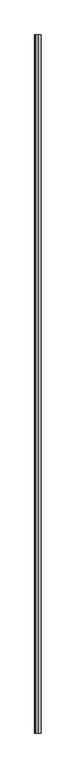
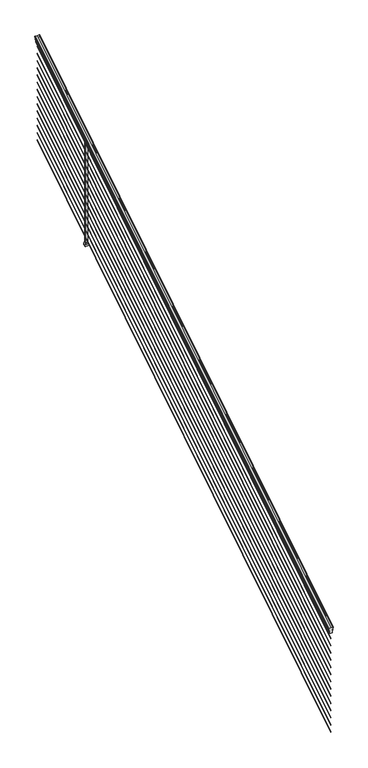
"""IFC4 building model written with IfcOpenShell, lengths in millimetres: railing geometry."""

from ifc_helpers import new_model, si_unit, frame, origin, place, context, project, spatial, polyline, ellipse_curve, outline, extrude, faceted_brep, source, transform, mapped, element, save
from ifc_brep_helpers import plane_surface, cylinder_surface, revolved_surface, advanced_brep


def railing_e3bc975f(model_context):
    return source(origin(), model_context, "Body", "SolidModel", [
        advanced_brep(
        [(11092.2704765, -103155.6628453, 1285.6070492), (11092.2704765, -103155.6628453, 1287.8335658), (11093.4006628, -103155.6628453, 1289.6758543), (11093.4006628, -103155.6628453, 1298.1876358), (11092.7514064, -103155.6628453, 1301.0572588), (11095.2514064, -103155.6628453, 1306.1635509), (11096.6607489, -103155.6628453, 1308.1442021), (11097.0626479, -103155.6628453, 1309.4469579), (11097.0626478, -103155.6628453, 1311.0274846), (11095.5092005, -103155.6628453, 1312.8593836), (11074.8376478, -103155.6628453, 1312.8593836), (11054.166095, -103155.6628453, 1312.8593836), (11052.6126478, -103155.6628453, 1311.0274846), (11052.6126478, -103155.6628453, 1309.4469579), (11053.0145467, -103155.6628453, 1308.1442021), (11054.4238891, -103155.6628453, 1306.1635509), (11056.9238891, -103155.6628453, 1301.0572588), (11056.2746327, -103155.6628453, 1298.1876358), (11056.2746327, -103155.6628453, 1289.6758543), (11057.404819, -103155.6628453, 1287.8335658), (11057.404819, -103155.6628453, 1285.6070492), (11059.9786478, -103155.6628453, 1285.6070492), (11059.9786478, -103155.6628453, 1273.225537), (11058.9626478, -103155.6628453, 1272.0274214), (11058.9626478, -103155.6628453, 1257.3), (11090.7126478, -103155.6628453, 1257.3), (11090.7126478, -103155.6628453, 1271.841318), (11089.6966478, -103155.6628453, 1273.0394336), (11089.6966478, -103155.6628453, 1285.6070492), (11092.2704765, -98278.8628453, 4333.6070492), (11089.6966478, -98278.8628453, 4333.6070492), (11089.6966478, -98278.8628453, 4321.0394336), (11090.7126478, -98278.8628453, 4319.841318), (11090.7126478, -98278.8628453, 4305.3), (11058.9626478, -98278.8628453, 4305.3), (11058.9626478, -98278.8628453, 4320.0274214), (11059.9786478, -98278.8628453, 4321.225537), (11059.9786478, -98278.8628453, 4333.6070492), (11057.404819, -98278.8628453, 4333.6070492), (11057.404819, -98278.8628453, 4335.8335658), (11056.2746327, -98278.8628453, 4337.6758543), (11056.2746327, -98278.8628453, 4346.1876358), (11056.9238891, -98278.8628453, 4349.0572588), (11054.4238891, -98278.8628453, 4354.1635509), (11053.0145467, -98278.8628453, 4356.1442021), (11052.6126477, -98278.8628453, 4357.4469579), (11052.6126478, -98278.8628453, 4359.0274846), (11054.166095, -98278.8628453, 4360.8593836), (11074.8376478, -98278.8628453, 4360.8593836), (11095.5092005, -98278.8628453, 4360.8593836), (11097.0626478, -98278.8628453, 4359.0274846), (11097.0626478, -98278.8628453, 4357.4469579), (11096.6607489, -98278.8628453, 4356.1442021), (11095.2514064, -98278.8628453, 4354.1635509), (11092.7514064, -98278.8628453, 4349.0572588), (11093.4006628, -98278.8628453, 4346.1876358), (11093.4006628, -98278.8628453, 4337.6758543), (11092.2704765, -98278.8628453, 4335.8335658)],
        [
            (0, 1),
            (1, 2, ellipse_curve(frame((11085.9557232, -103155.6628453, 1294.6239405), z_axis=(0.0, -1.0, 0.0), x_axis=(0.0, 0.0, -1.0)), 10.0777926, 8.545951)),
            (2, 3, ellipse_curve(frame((11086.3927862, -103155.6628453, 1293.9317451), z_axis=(0.0, -1.0, 0.0), x_axis=(0.0, 0.0, -1.0)), 9.2955186, 7.882584)),
            (3, 4, ellipse_curve(frame((11096.9061103, -103155.6628453, 1300.8275077), z_axis=(0.0, 1.0, 0.0), x_axis=(0.0, 0.0, 1.0)), 4.9048088, 4.1592695)),
            (4, 5, ellipse_curve(frame((11098.1934169, -103155.6628453, 1300.7563208), z_axis=(0.0, 1.0, 0.0), x_axis=(0.0, 0.0, 1.0)), 6.4245301, 5.4479907)),
            (5, 6, ellipse_curve(frame((11096.9602584, -103155.6628453, 1306.1602333), z_axis=(0.0, 1.0, 0.0), x_axis=(0.0, 0.0, 1.0)), 2.0151625, 1.7088543)),
            (6, 7, ellipse_curve(frame((11095.3433583, -103155.6628453, 1309.4469579), z_axis=(0.0, -1.0, 0.0), x_axis=(0.0, 0.0, -1.0)), 2.0274681, 1.7192895)),
            (7, 8),
            (8, 9, ellipse_curve(frame((11095.5092005, -103155.6628453, 1311.0274846), z_axis=(0.0, -1.0, 0.0), x_axis=(0.0, 0.0, -1.0)), 1.831899, 1.5534472)),
            (9, 10),
            (10, 11),
            (11, 12, ellipse_curve(frame((11054.166095, -103155.6628453, 1311.0274846), z_axis=(0.0, -1.0, 0.0), x_axis=(0.0, 0.0, -1.0)), 1.831899, 1.5534472)),
            (12, 13),
            (13, 14, ellipse_curve(frame((11054.3319372, -103155.6628453, 1309.4469579), z_axis=(0.0, -1.0, 0.0), x_axis=(0.0, 0.0, -1.0)), 2.0274681, 1.7192895)),
            (14, 15, ellipse_curve(frame((11052.7150371, -103155.6628453, 1306.1602333), z_axis=(0.0, 1.0, 0.0), x_axis=(0.0, 0.0, 1.0)), 2.0151625, 1.7088543)),
            (15, 16, ellipse_curve(frame((11051.4818787, -103155.6628453, 1300.7563208), z_axis=(0.0, 1.0, 0.0), x_axis=(0.0, 0.0, 1.0)), 6.4245301, 5.4479907)),
            (16, 17, ellipse_curve(frame((11052.7691852, -103155.6628453, 1300.8275077), z_axis=(0.0, 1.0, 0.0), x_axis=(0.0, 0.0, 1.0)), 4.9048088, 4.1592695)),
            (17, 18, ellipse_curve(frame((11063.2825093, -103155.6628453, 1293.9317451), z_axis=(0.0, -1.0, 0.0), x_axis=(0.0, 0.0, -1.0)), 9.2955186, 7.882584)),
            (18, 19, ellipse_curve(frame((11063.7195723, -103155.6628453, 1294.6239405), z_axis=(0.0, -1.0, 0.0), x_axis=(0.0, 0.0, -1.0)), 10.0777926, 8.545951)),
            (19, 20),
            (20, 21, ellipse_curve(frame((11058.6917334, -103155.6628453, 1285.6070492), z_axis=(0.0, -1.0, 0.0), x_axis=(0.0, 0.0, -1.0)), 1.5175907, 1.2869144)),
            (21, 22),
            (22, 23),
            (23, 24),
            (24, 25),
            (25, 26),
            (26, 27),
            (27, 28),
            (28, 0, ellipse_curve(frame((11090.9835621, -103155.6628453, 1285.6070492), z_axis=(0.0, -1.0, 0.0), x_axis=(0.0, 0.0, -1.0)), 1.5175907, 1.2869144)),
            (29, 30, ellipse_curve(frame((11090.9835621, -98278.8628453, 4333.6070492), z_axis=(0.0, 1.0, 0.0), x_axis=(0.0, 0.0, -1.0)), 1.5175907, 1.2869144)),
            (30, 31),
            (31, 32),
            (32, 33),
            (33, 34),
            (34, 35),
            (35, 36),
            (36, 37),
            (37, 38, ellipse_curve(frame((11058.6917334, -98278.8628453, 4333.6070492), z_axis=(0.0, 1.0, 0.0), x_axis=(0.0, 0.0, -1.0)), 1.5175907, 1.2869144)),
            (38, 39),
            (39, 40, ellipse_curve(frame((11063.7195723, -98278.8628453, 4342.6239405), z_axis=(0.0, 1.0, 0.0), x_axis=(0.0, 0.0, -1.0)), 10.0777926, 8.545951)),
            (40, 41, ellipse_curve(frame((11063.2825093, -98278.8628453, 4341.9317451), z_axis=(0.0, 1.0, 0.0), x_axis=(0.0, 0.0, -1.0)), 9.2955186, 7.882584)),
            (41, 42, ellipse_curve(frame((11052.7691852, -98278.8628453, 4348.8275077), z_axis=(0.0, -1.0, 0.0), x_axis=(0.0, 0.0, 1.0)), 4.9048088, 4.1592695)),
            (42, 43, ellipse_curve(frame((11051.4818787, -98278.8628453, 4348.7563208), z_axis=(0.0, -1.0, 0.0), x_axis=(0.0, 0.0, 1.0)), 6.4245301, 5.4479907)),
            (43, 44, ellipse_curve(frame((11052.7150371, -98278.8628453, 4354.1602333), z_axis=(0.0, -1.0, 0.0), x_axis=(0.0, 0.0, 1.0)), 2.0151625, 1.7088543)),
            (44, 45, ellipse_curve(frame((11054.3319372, -98278.8628453, 4357.4469579), z_axis=(0.0, 1.0, 0.0), x_axis=(0.0, 0.0, -1.0)), 2.0274681, 1.7192895)),
            (45, 46),
            (46, 47, ellipse_curve(frame((11054.166095, -98278.8628453, 4359.0274846), z_axis=(0.0, 1.0, 0.0), x_axis=(0.0, 0.0, -1.0)), 1.831899, 1.5534472)),
            (47, 48),
            (48, 49),
            (49, 50, ellipse_curve(frame((11095.5092005, -98278.8628453, 4359.0274846), z_axis=(0.0, 1.0, 0.0), x_axis=(0.0, 0.0, -1.0)), 1.831899, 1.5534472)),
            (50, 51),
            (51, 52, ellipse_curve(frame((11095.3433583, -98278.8628453, 4357.4469579), z_axis=(0.0, 1.0, 0.0), x_axis=(0.0, 0.0, -1.0)), 2.0274681, 1.7192895)),
            (52, 53, ellipse_curve(frame((11096.9602584, -98278.8628453, 4354.1602333), z_axis=(0.0, -1.0, 0.0), x_axis=(0.0, 0.0, 1.0)), 2.0151625, 1.7088543)),
            (53, 54, ellipse_curve(frame((11098.1934169, -98278.8628453, 4348.7563208), z_axis=(0.0, -1.0, 0.0), x_axis=(0.0, 0.0, 1.0)), 6.4245301, 5.4479907)),
            (54, 55, ellipse_curve(frame((11096.9061103, -98278.8628453, 4348.8275077), z_axis=(0.0, -1.0, 0.0), x_axis=(0.0, 0.0, 1.0)), 4.9048088, 4.1592695)),
            (55, 56, ellipse_curve(frame((11086.3927862, -98278.8628453, 4341.9317451), z_axis=(0.0, 1.0, 0.0), x_axis=(0.0, 0.0, -1.0)), 9.2955186, 7.882584)),
            (56, 57, ellipse_curve(frame((11085.9557232, -98278.8628453, 4342.6239405), z_axis=(0.0, 1.0, 0.0), x_axis=(0.0, 0.0, -1.0)), 10.0777926, 8.545951)),
            (57, 29),
            (28, 30),
            (29, 0),
            (27, 31),
            (26, 32),
            (25, 33),
            (24, 34),
            (23, 35),
            (22, 36),
            (21, 37),
            (20, 38),
            (19, 39),
            (18, 40),
            (17, 41),
            (16, 42),
            (15, 43),
            (14, 44),
            (13, 45),
            (12, 46),
            (11, 47),
            (10, 48),
            (9, 49),
            (8, 50),
            (7, 51),
            (6, 52),
            (5, 53),
            (4, 54),
            (3, 55),
            (2, 56),
            (1, 57),
        ],
        [
            plane_surface(frame((11074.8376478, -103155.6628453, 1257.3), z_axis=(0.0, -1.0, 0.0), x_axis=(0.0, 0.0, 1.0))),
            plane_surface(frame((11074.8376478, -98278.8628453, 4305.3), z_axis=(0.0, 1.0, 0.0), x_axis=(0.0, 0.0, 1.0))),
            cylinder_surface(frame((11090.9835621, -103168.3851146, 1277.6556309), z_axis=(0.0, -0.8479983040051253, -0.5299989400031204), x_axis=(-1.0, 0.0, 0.0)), 1.2869144),
            plane_surface(frame((11089.6966478, -103155.6628453, 1273.0394336), z_axis=(1.0, 0.0, 0.0), x_axis=(0.0, 0.8479983040051252, 0.5299989400031204))),
            plane_surface(frame((11090.7126478, -103155.6628453, 1271.841318), z_axis=(0.7071067811865389, -0.3747658444978941, 0.5996253511967224), x_axis=(0.0, 0.8479983040051253, 0.5299989400031203))),
            plane_surface(frame((11090.7126478, -103155.6628453, 1257.3), z_axis=(1.0, 0.0, 0.0), x_axis=(0.0, 0.8479983040051252, 0.5299989400031204))),
            plane_surface(frame((11058.9626478, -103155.6628453, 1257.3), z_axis=(0.0, 0.5299989400031204, -0.8479983040051252), x_axis=(0.0, 0.8479983040051252, 0.5299989400031204))),
            plane_surface(frame((11058.9626478, -103155.6628453, 1272.0274214), z_axis=(-1.0000000000000002, 0.0, 0.0), x_axis=(0.0, 0.8479983040051253, 0.5299989400031204))),
            plane_surface(frame((11059.9786478, -103155.6628453, 1273.225537), z_axis=(-0.7071067811865438, -0.3747658444978897, 0.5996253511967192), x_axis=(0.0, 0.8479983040051252, 0.5299989400031204))),
            plane_surface(frame((11059.9786478, -103155.6628453, 1285.6070492), z_axis=(-1.0, 0.0, 0.0), x_axis=(0.0, 0.8479983040051252, 0.5299989400031204))),
            cylinder_surface(frame((11058.6917334, -103168.3851146, 1277.6556309), z_axis=(0.0, -0.8479983040051253, -0.5299989400031204), x_axis=(1.0, 0.0, 0.0)), 1.2869144),
            plane_surface(frame((11057.404819, -103155.6628453, 1287.8335658), z_axis=(-1.0, 0.0, 0.0), x_axis=(0.0, 0.8479983040051252, 0.5299989400031204))),
            cylinder_surface(frame((11063.7195723, -103172.43765, 1284.1396876), z_axis=(0.0, -0.8479983040051253, -0.5299989400031204), x_axis=(1.0, 0.0, 0.0)), 8.545951),
            cylinder_surface(frame((11063.2825093, -103172.1265509, 1283.641929), z_axis=(0.0, -0.8479983040051253, -0.5299989400031204), x_axis=(1.0, 0.0, 0.0)), 7.882584),
            revolved_surface(polyline([(11056.9284547, -98276.65843685035, 4350.2052629805585), (11056.9284547, -103157.86725374944, 1299.449752419102)]), (11052.7691852, -103175.2257701, 1288.6006797), (0.0, 0.8479983040051253, 0.5299989400031204)),
            revolved_surface(polyline([(11056.9298694, -98275.97541603574, 4350.5609640771845), (11056.9298694, -103158.5502745528, 1298.9516775044929)]), (11051.4818787, -103175.193776, 1288.5494891), (0.0, 0.8479983040051253, 0.5299989400031204)),
            revolved_surface(polyline([(11054.423891400002, -98277.95715429979, 4354.726290199658), (11054.423891400002, -103156.56853632248, 1305.5941764359545)]), (11052.7150371, -103177.6225007, 1292.4354487), (0.0, 0.8479983040051253, 0.5299989400031204)),
            cylinder_surface(frame((11054.3319372, -103179.0996803, 1294.798936), z_axis=(0.0, -0.8479983040051253, -0.5299989400031204), x_axis=(1.0, 0.0, 0.0)), 1.7192895),
            plane_surface(frame((11052.6126478, -103155.6628453, 1311.0274846), z_axis=(-1.0000000000000002, 0.0, 0.0), x_axis=(0.0, 0.8479983040051253, 0.5299989400031204))),
            cylinder_surface(frame((11054.166095, -103179.8100294, 1295.9354945), z_axis=(0.0, -0.8479983040051253, -0.5299989400031204), x_axis=(1.0, 0.0, 0.0)), 1.5534472),
            plane_surface(frame((11074.8376478, -103155.6628453, 1312.8593836), z_axis=(0.0, -0.5299989400031204, 0.8479983040051252), x_axis=(0.0, 0.8479983040051252, 0.5299989400031204))),
            plane_surface(frame((11095.5092005, -103155.6628453, 1312.8593836), z_axis=(0.0, -0.5299989400031204, 0.8479983040051252), x_axis=(0.0, 0.8479983040051252, 0.5299989400031204))),
            cylinder_surface(frame((11095.5092005, -103179.8100294, 1295.9354945), z_axis=(0.0, -0.8479983040051253, -0.5299989400031204), x_axis=(-1.0, 0.0, 0.0)), 1.5534472),
            plane_surface(frame((11097.0626478, -103155.6628453, 1309.4469579), z_axis=(1.0, 0.0, 0.0), x_axis=(0.0, 0.8479983040051252, 0.5299989400031204))),
            cylinder_surface(frame((11095.3433583, -103179.0996803, 1294.798936), z_axis=(0.0, -0.8479983040051253, -0.5299989400031204), x_axis=(-1.0, 0.0, 0.0)), 1.7192895),
            revolved_surface(polyline([(11095.2514041, -98277.95715429979, 4354.726290199658), (11095.2514041, -103156.56853632248, 1305.5941764359545)]), (11096.9602584, -103177.6225007, 1292.4354487), (0.0, 0.8479983040051253, 0.5299989400031204)),
            revolved_surface(polyline([(11092.7454262, -98275.97541603574, 4350.5609640771845), (11092.7454262, -103158.5502745528, 1298.9516775044929)]), (11098.1934169, -103175.193776, 1288.5494891), (0.0, 0.8479983040051253, 0.5299989400031204)),
            revolved_surface(polyline([(11092.7468408, -98276.65843685035, 4350.2052629805585), (11092.7468408, -103157.86725374944, 1299.449752419102)]), (11096.9061103, -103175.2257701, 1288.6006797), (0.0, 0.8479983040051253, 0.5299989400031204)),
            cylinder_surface(frame((11086.3927862, -103172.1265509, 1283.641929), z_axis=(0.0, -0.8479983040051253, -0.5299989400031204), x_axis=(-1.0, 0.0, 0.0)), 7.882584),
            cylinder_surface(frame((11085.9557232, -103172.43765, 1284.1396876), z_axis=(0.0, -0.8479983040051253, -0.5299989400031204), x_axis=(-1.0, 0.0, 0.0)), 8.545951),
            plane_surface(frame((11092.2704765, -103155.6628453, 1285.6070492), z_axis=(1.0, 0.0, 0.0), x_axis=(0.0, 0.8479983040051252, 0.5299989400031204))),
        ],
        [
            (0, [[1, 2, 3, 4, 5, 6, 7, 8, 9, 10, 11, 12, 13, 14, 15, 16, 17, 18, 19, 20, 21, 22, 23, 24, 25, 26, 27, 28, 29]]),
            (1, [[30, 31, 32, 33, 34, 35, 36, 37, 38, 39, 40, 41, 42, 43, 44, 45, 46, 47, 48, 49, 50, 51, 52, 53, 54, 55, 56, 57, 58]]),
            (2, [[-29, 59, -30, 60]]),
            (3, [[-28, 61, -31, -59]]),
            (4, [[-27, 62, -32, -61]]),
            (5, [[-26, 63, -33, -62]]),
            (6, [[-25, 64, -34, -63]]),
            (7, [[-24, 65, -35, -64]]),
            (8, [[-23, 66, -36, -65]]),
            (9, [[-22, 67, -37, -66]]),
            (10, [[-21, 68, -38, -67]]),
            (11, [[-20, 69, -39, -68]]),
            (12, [[-19, 70, -40, -69]]),
            (13, [[-18, 71, -41, -70]]),
            (14, [[-17, 72, -42, -71]]),
            (15, [[-16, 73, -43, -72]]),
            (16, [[-15, 74, -44, -73]]),
            (17, [[-14, 75, -45, -74]]),
            (18, [[-13, 76, -46, -75]]),
            (19, [[-12, 77, -47, -76]]),
            (20, [[-11, 78, -48, -77]]),
            (21, [[-10, 79, -49, -78]]),
            (22, [[-9, 80, -50, -79]]),
            (23, [[-8, 81, -51, -80]]),
            (24, [[-7, 82, -52, -81]]),
            (25, [[-6, 83, -53, -82]]),
            (26, [[-5, 84, -54, -83]]),
            (27, [[-4, 85, -55, -84]]),
            (28, [[-3, 86, -56, -85]]),
            (29, [[-2, 87, -57, -86]]),
            (30, [[-1, -60, -58, -87]]),
        ],
    ),
        advanced_brep(
        [(11073.2501478, -103155.6628453, 255.524), (11074.8376478, -103155.6628453, 253.6519444), (11076.4251478, -103155.6628453, 255.524), (11074.8376478, -103155.6628453, 257.3960556), (11073.2501478, -98278.8628453, 3303.524), (11074.8376478, -98278.8628453, 3305.3960556), (11076.4251478, -98278.8628453, 3303.524), (11074.8376478, -98278.8628453, 3301.6519444)],
        [
            (0, 1, ellipse_curve(frame((11074.8376478, -103155.6628453, 255.524), z_axis=(0.0, -1.0, 0.0), x_axis=(0.0, 0.0, -1.0)), 1.8720556, 1.5875)),
            (1, 2, ellipse_curve(frame((11074.8376478, -103155.6628453, 255.524), z_axis=(0.0, -1.0, 0.0), x_axis=(0.0, 0.0, -1.0)), 1.8720556, 1.5875)),
            (2, 3, ellipse_curve(frame((11074.8376478, -103155.6628453, 255.524), z_axis=(0.0, -1.0, 0.0), x_axis=(0.0, 0.0, -1.0)), 1.8720556, 1.5875)),
            (3, 0, ellipse_curve(frame((11074.8376478, -103155.6628453, 255.524), z_axis=(0.0, -1.0, 0.0), x_axis=(0.0, 0.0, -1.0)), 1.8720556, 1.5875)),
            (4, 5, ellipse_curve(frame((11074.8376478, -98278.8628453, 3303.524), z_axis=(0.0, 1.0, 0.0), x_axis=(0.0, 0.0, -1.0)), 1.8720556, 1.5875)),
            (5, 6, ellipse_curve(frame((11074.8376478, -98278.8628453, 3303.524), z_axis=(0.0, 1.0, 0.0), x_axis=(0.0, 0.0, -1.0)), 1.8720556, 1.5875)),
            (6, 7, ellipse_curve(frame((11074.8376478, -98278.8628453, 3303.524), z_axis=(0.0, 1.0, 0.0), x_axis=(0.0, 0.0, -1.0)), 1.8720556, 1.5875)),
            (7, 4, ellipse_curve(frame((11074.8376478, -98278.8628453, 3303.524), z_axis=(0.0, 1.0, 0.0), x_axis=(0.0, 0.0, -1.0)), 1.8720556, 1.5875)),
            (3, 5),
            (4, 0),
            (2, 6),
            (1, 7),
        ],
        [
            plane_surface(frame((11074.8376478, -103155.6628453, 255.524), z_axis=(0.0, -1.0, 0.0), x_axis=(0.0, 0.0, 1.0))),
            plane_surface(frame((11074.8376478, -98278.8628453, 3303.524), z_axis=(0.0, 1.0, 0.0), x_axis=(0.0, 0.0, 1.0))),
            cylinder_surface(frame((11074.8376478, -103155.6628453, 255.524), z_axis=(0.0, -0.8479983040051253, -0.5299989400031204), x_axis=(-1.0, 0.0, 0.0)), 1.5875),
        ],
        [
            (0, [[1, 2, 3, 4]]),
            (1, [[5, 6, 7, 8]]),
            (2, [[-4, 9, -5, 10]]),
            (2, [[-3, 11, -6, -9]]),
            (2, [[-2, 12, -7, -11]]),
            (2, [[-1, -10, -8, -12]]),
        ],
    ),
        advanced_brep(
        [(11073.2501478, -103155.6628453, 328.676), (11074.8376478, -103155.6628453, 326.8039444), (11076.4251478, -103155.6628453, 328.676), (11074.8376478, -103155.6628453, 330.5480556), (11073.2501478, -98278.8628453, 3376.676), (11074.8376478, -98278.8628453, 3378.5480556), (11076.4251478, -98278.8628453, 3376.676), (11074.8376478, -98278.8628453, 3374.8039444)],
        [
            (0, 1, ellipse_curve(frame((11074.8376478, -103155.6628453, 328.676), z_axis=(0.0, -1.0, 0.0), x_axis=(0.0, 0.0, -1.0)), 1.8720556, 1.5875)),
            (1, 2, ellipse_curve(frame((11074.8376478, -103155.6628453, 328.676), z_axis=(0.0, -1.0, 0.0), x_axis=(0.0, 0.0, -1.0)), 1.8720556, 1.5875)),
            (2, 3, ellipse_curve(frame((11074.8376478, -103155.6628453, 328.676), z_axis=(0.0, -1.0, 0.0), x_axis=(0.0, 0.0, -1.0)), 1.8720556, 1.5875)),
            (3, 0, ellipse_curve(frame((11074.8376478, -103155.6628453, 328.676), z_axis=(0.0, -1.0, 0.0), x_axis=(0.0, 0.0, -1.0)), 1.8720556, 1.5875)),
            (4, 5, ellipse_curve(frame((11074.8376478, -98278.8628453, 3376.676), z_axis=(0.0, 1.0, 0.0), x_axis=(0.0, 0.0, -1.0)), 1.8720556, 1.5875)),
            (5, 6, ellipse_curve(frame((11074.8376478, -98278.8628453, 3376.676), z_axis=(0.0, 1.0, 0.0), x_axis=(0.0, 0.0, -1.0)), 1.8720556, 1.5875)),
            (6, 7, ellipse_curve(frame((11074.8376478, -98278.8628453, 3376.676), z_axis=(0.0, 1.0, 0.0), x_axis=(0.0, 0.0, -1.0)), 1.8720556, 1.5875)),
            (7, 4, ellipse_curve(frame((11074.8376478, -98278.8628453, 3376.676), z_axis=(0.0, 1.0, 0.0), x_axis=(0.0, 0.0, -1.0)), 1.8720556, 1.5875)),
            (0, 4),
            (7, 1),
            (6, 2),
            (5, 3),
        ],
        [
            plane_surface(frame((11074.8376478, -103155.6628453, 328.676), z_axis=(0.0, -1.0, 0.0), x_axis=(0.0, 0.0, 1.0))),
            plane_surface(frame((11074.8376478, -98278.8628453, 3376.676), z_axis=(0.0, 1.0, 0.0), x_axis=(0.0, 0.0, 1.0))),
            cylinder_surface(frame((11074.8376478, -103155.6628453, 328.676), z_axis=(0.0, -0.8479983040051253, -0.5299989400031204), x_axis=(-1.0, 0.0, 0.0)), 1.5875),
        ],
        [
            (0, [[1, 2, 3, 4]]),
            (1, [[5, 6, 7, 8]]),
            (2, [[-1, 9, -8, 10]]),
            (2, [[-2, -10, -7, 11]]),
            (2, [[-3, -11, -6, 12]]),
            (2, [[-4, -12, -5, -9]]),
        ],
    ),
        advanced_brep(
        [(11073.2501478, -103155.6628453, 401.574), (11074.8376478, -103155.6628453, 399.7019444), (11076.4251478, -103155.6628453, 401.574), (11074.8376478, -103155.6628453, 403.4460556), (11073.2501478, -98278.8628453, 3449.574), (11074.8376478, -98278.8628453, 3451.4460556), (11076.4251478, -98278.8628453, 3449.574), (11074.8376478, -98278.8628453, 3447.7019444)],
        [
            (0, 1, ellipse_curve(frame((11074.8376478, -103155.6628453, 401.574), z_axis=(0.0, -1.0, 0.0), x_axis=(0.0, 0.0, -1.0)), 1.8720556, 1.5875)),
            (1, 2, ellipse_curve(frame((11074.8376478, -103155.6628453, 401.574), z_axis=(0.0, -1.0, 0.0), x_axis=(0.0, 0.0, -1.0)), 1.8720556, 1.5875)),
            (2, 3, ellipse_curve(frame((11074.8376478, -103155.6628453, 401.574), z_axis=(0.0, -1.0, 0.0), x_axis=(0.0, 0.0, -1.0)), 1.8720556, 1.5875)),
            (3, 0, ellipse_curve(frame((11074.8376478, -103155.6628453, 401.574), z_axis=(0.0, -1.0, 0.0), x_axis=(0.0, 0.0, -1.0)), 1.8720556, 1.5875)),
            (4, 5, ellipse_curve(frame((11074.8376478, -98278.8628453, 3449.574), z_axis=(0.0, 1.0, 0.0), x_axis=(0.0, 0.0, -1.0)), 1.8720556, 1.5875)),
            (5, 6, ellipse_curve(frame((11074.8376478, -98278.8628453, 3449.574), z_axis=(0.0, 1.0, 0.0), x_axis=(0.0, 0.0, -1.0)), 1.8720556, 1.5875)),
            (6, 7, ellipse_curve(frame((11074.8376478, -98278.8628453, 3449.574), z_axis=(0.0, 1.0, 0.0), x_axis=(0.0, 0.0, -1.0)), 1.8720556, 1.5875)),
            (7, 4, ellipse_curve(frame((11074.8376478, -98278.8628453, 3449.574), z_axis=(0.0, 1.0, 0.0), x_axis=(0.0, 0.0, -1.0)), 1.8720556, 1.5875)),
            (0, 4),
            (7, 1),
            (6, 2),
            (5, 3),
        ],
        [
            plane_surface(frame((11074.8376478, -103155.6628453, 401.574), z_axis=(0.0, -1.0, 0.0), x_axis=(0.0, 0.0, 1.0))),
            plane_surface(frame((11074.8376478, -98278.8628453, 3449.574), z_axis=(0.0, 1.0, 0.0), x_axis=(0.0, 0.0, 1.0))),
            cylinder_surface(frame((11074.8376478, -103155.6628453, 401.574), z_axis=(0.0, -0.8479983040051253, -0.5299989400031204), x_axis=(-1.0, 0.0, 0.0)), 1.5875),
        ],
        [
            (0, [[1, 2, 3, 4]]),
            (1, [[5, 6, 7, 8]]),
            (2, [[-1, 9, -8, 10]]),
            (2, [[-2, -10, -7, 11]]),
            (2, [[-3, -11, -6, 12]]),
            (2, [[-4, -12, -5, -9]]),
        ],
    ),
        advanced_brep(
        [(11073.2501478, -103155.6628453, 474.726), (11074.8376478, -103155.6628453, 472.8539444), (11076.4251478, -103155.6628453, 474.726), (11074.8376478, -103155.6628453, 476.5980556), (11073.2501478, -98278.8628453, 3522.726), (11074.8376478, -98278.8628453, 3524.5980556), (11076.4251478, -98278.8628453, 3522.726), (11074.8376478, -98278.8628453, 3520.8539444)],
        [
            (0, 1, ellipse_curve(frame((11074.8376478, -103155.6628453, 474.726), z_axis=(0.0, -1.0, 0.0), x_axis=(0.0, 0.0, -1.0)), 1.8720556, 1.5875)),
            (1, 2, ellipse_curve(frame((11074.8376478, -103155.6628453, 474.726), z_axis=(0.0, -1.0, 0.0), x_axis=(0.0, 0.0, -1.0)), 1.8720556, 1.5875)),
            (2, 3, ellipse_curve(frame((11074.8376478, -103155.6628453, 474.726), z_axis=(0.0, -1.0, 0.0), x_axis=(0.0, 0.0, -1.0)), 1.8720556, 1.5875)),
            (3, 0, ellipse_curve(frame((11074.8376478, -103155.6628453, 474.726), z_axis=(0.0, -1.0, 0.0), x_axis=(0.0, 0.0, -1.0)), 1.8720556, 1.5875)),
            (4, 5, ellipse_curve(frame((11074.8376478, -98278.8628453, 3522.726), z_axis=(0.0, 1.0, 0.0), x_axis=(0.0, 0.0, -1.0)), 1.8720556, 1.5875)),
            (5, 6, ellipse_curve(frame((11074.8376478, -98278.8628453, 3522.726), z_axis=(0.0, 1.0, 0.0), x_axis=(0.0, 0.0, -1.0)), 1.8720556, 1.5875)),
            (6, 7, ellipse_curve(frame((11074.8376478, -98278.8628453, 3522.726), z_axis=(0.0, 1.0, 0.0), x_axis=(0.0, 0.0, -1.0)), 1.8720556, 1.5875)),
            (7, 4, ellipse_curve(frame((11074.8376478, -98278.8628453, 3522.726), z_axis=(0.0, 1.0, 0.0), x_axis=(0.0, 0.0, -1.0)), 1.8720556, 1.5875)),
            (0, 4),
            (7, 1),
            (6, 2),
            (5, 3),
        ],
        [
            plane_surface(frame((11074.8376478, -103155.6628453, 474.726), z_axis=(0.0, -1.0, 0.0), x_axis=(0.0, 0.0, 1.0))),
            plane_surface(frame((11074.8376478, -98278.8628453, 3522.726), z_axis=(0.0, 1.0, 0.0), x_axis=(0.0, 0.0, 1.0))),
            cylinder_surface(frame((11074.8376478, -103155.6628453, 474.726), z_axis=(0.0, -0.8479983040051253, -0.5299989400031204), x_axis=(-1.0, 0.0, 0.0)), 1.5875),
        ],
        [
            (0, [[1, 2, 3, 4]]),
            (1, [[5, 6, 7, 8]]),
            (2, [[-1, 9, -8, 10]]),
            (2, [[-2, -10, -7, 11]]),
            (2, [[-3, -11, -6, 12]]),
            (2, [[-4, -12, -5, -9]]),
        ],
    ),
        advanced_brep(
        [(11073.2501478, -103155.6628453, 547.624), (11074.8376478, -103155.6628453, 545.7519444), (11076.4251478, -103155.6628453, 547.624), (11074.8376478, -103155.6628453, 549.4960556), (11073.2501478, -98278.8628453, 3595.624), (11074.8376478, -98278.8628453, 3597.4960556), (11076.4251478, -98278.8628453, 3595.624), (11074.8376478, -98278.8628453, 3593.7519444)],
        [
            (0, 1, ellipse_curve(frame((11074.8376478, -103155.6628453, 547.624), z_axis=(0.0, -1.0, 0.0), x_axis=(0.0, 0.0, -1.0)), 1.8720556, 1.5875)),
            (1, 2, ellipse_curve(frame((11074.8376478, -103155.6628453, 547.624), z_axis=(0.0, -1.0, 0.0), x_axis=(0.0, 0.0, -1.0)), 1.8720556, 1.5875)),
            (2, 3, ellipse_curve(frame((11074.8376478, -103155.6628453, 547.624), z_axis=(0.0, -1.0, 0.0), x_axis=(0.0, 0.0, -1.0)), 1.8720556, 1.5875)),
            (3, 0, ellipse_curve(frame((11074.8376478, -103155.6628453, 547.624), z_axis=(0.0, -1.0, 0.0), x_axis=(0.0, 0.0, -1.0)), 1.8720556, 1.5875)),
            (4, 5, ellipse_curve(frame((11074.8376478, -98278.8628453, 3595.624), z_axis=(0.0, 1.0, 0.0), x_axis=(0.0, 0.0, -1.0)), 1.8720556, 1.5875)),
            (5, 6, ellipse_curve(frame((11074.8376478, -98278.8628453, 3595.624), z_axis=(0.0, 1.0, 0.0), x_axis=(0.0, 0.0, -1.0)), 1.8720556, 1.5875)),
            (6, 7, ellipse_curve(frame((11074.8376478, -98278.8628453, 3595.624), z_axis=(0.0, 1.0, 0.0), x_axis=(0.0, 0.0, -1.0)), 1.8720556, 1.5875)),
            (7, 4, ellipse_curve(frame((11074.8376478, -98278.8628453, 3595.624), z_axis=(0.0, 1.0, 0.0), x_axis=(0.0, 0.0, -1.0)), 1.8720556, 1.5875)),
            (0, 4),
            (7, 1),
            (6, 2),
            (5, 3),
        ],
        [
            plane_surface(frame((11074.8376478, -103155.6628453, 547.624), z_axis=(0.0, -1.0, 0.0), x_axis=(0.0, 0.0, 1.0))),
            plane_surface(frame((11074.8376478, -98278.8628453, 3595.624), z_axis=(0.0, 1.0, 0.0), x_axis=(0.0, 0.0, 1.0))),
            cylinder_surface(frame((11074.8376478, -103155.6628453, 547.624), z_axis=(0.0, -0.8479983040051253, -0.5299989400031204), x_axis=(-1.0, 0.0, 0.0)), 1.5875),
        ],
        [
            (0, [[1, 2, 3, 4]]),
            (1, [[5, 6, 7, 8]]),
            (2, [[-1, 9, -8, 10]]),
            (2, [[-2, -10, -7, 11]]),
            (2, [[-3, -11, -6, 12]]),
            (2, [[-4, -12, -5, -9]]),
        ],
    ),
        advanced_brep(
        [(11073.2501478, -103155.6628453, 620.776), (11074.8376478, -103155.6628453, 618.9039444), (11076.4251478, -103155.6628453, 620.776), (11074.8376478, -103155.6628453, 622.6480556), (11073.2501478, -98278.8628453, 3668.776), (11074.8376478, -98278.8628453, 3670.6480556), (11076.4251478, -98278.8628453, 3668.776), (11074.8376478, -98278.8628453, 3666.9039444)],
        [
            (0, 1, ellipse_curve(frame((11074.8376478, -103155.6628453, 620.776), z_axis=(0.0, -1.0, 0.0), x_axis=(0.0, 0.0, -1.0)), 1.8720556, 1.5875)),
            (1, 2, ellipse_curve(frame((11074.8376478, -103155.6628453, 620.776), z_axis=(0.0, -1.0, 0.0), x_axis=(0.0, 0.0, -1.0)), 1.8720556, 1.5875)),
            (2, 3, ellipse_curve(frame((11074.8376478, -103155.6628453, 620.776), z_axis=(0.0, -1.0, 0.0), x_axis=(0.0, 0.0, -1.0)), 1.8720556, 1.5875)),
            (3, 0, ellipse_curve(frame((11074.8376478, -103155.6628453, 620.776), z_axis=(0.0, -1.0, 0.0), x_axis=(0.0, 0.0, -1.0)), 1.8720556, 1.5875)),
            (4, 5, ellipse_curve(frame((11074.8376478, -98278.8628453, 3668.776), z_axis=(0.0, 1.0, 0.0), x_axis=(0.0, 0.0, -1.0)), 1.8720556, 1.5875)),
            (5, 6, ellipse_curve(frame((11074.8376478, -98278.8628453, 3668.776), z_axis=(0.0, 1.0, 0.0), x_axis=(0.0, 0.0, -1.0)), 1.8720556, 1.5875)),
            (6, 7, ellipse_curve(frame((11074.8376478, -98278.8628453, 3668.776), z_axis=(0.0, 1.0, 0.0), x_axis=(0.0, 0.0, -1.0)), 1.8720556, 1.5875)),
            (7, 4, ellipse_curve(frame((11074.8376478, -98278.8628453, 3668.776), z_axis=(0.0, 1.0, 0.0), x_axis=(0.0, 0.0, -1.0)), 1.8720556, 1.5875)),
            (0, 4),
            (7, 1),
            (6, 2),
            (5, 3),
        ],
        [
            plane_surface(frame((11074.8376478, -103155.6628453, 620.776), z_axis=(0.0, -1.0, 0.0), x_axis=(0.0, 0.0, 1.0))),
            plane_surface(frame((11074.8376478, -98278.8628453, 3668.776), z_axis=(0.0, 1.0, 0.0), x_axis=(0.0, 0.0, 1.0))),
            cylinder_surface(frame((11074.8376478, -103155.6628453, 620.776), z_axis=(0.0, -0.8479983040051253, -0.5299989400031204), x_axis=(-1.0, 0.0, 0.0)), 1.5875),
        ],
        [
            (0, [[1, 2, 3, 4]]),
            (1, [[5, 6, 7, 8]]),
            (2, [[-1, 9, -8, 10]]),
            (2, [[-2, -10, -7, 11]]),
            (2, [[-3, -11, -6, 12]]),
            (2, [[-4, -12, -5, -9]]),
        ],
    ),
        advanced_brep(
        [(11073.2501478, -103155.6628453, 693.674), (11074.8376478, -103155.6628453, 691.8019444), (11076.4251478, -103155.6628453, 693.674), (11074.8376478, -103155.6628453, 695.5460556), (11073.2501478, -98278.8628453, 3741.674), (11074.8376478, -98278.8628453, 3743.5460556), (11076.4251478, -98278.8628453, 3741.674), (11074.8376478, -98278.8628453, 3739.8019444)],
        [
            (0, 1, ellipse_curve(frame((11074.8376478, -103155.6628453, 693.674), z_axis=(0.0, -1.0, 0.0), x_axis=(0.0, 0.0, -1.0)), 1.8720556, 1.5875)),
            (1, 2, ellipse_curve(frame((11074.8376478, -103155.6628453, 693.674), z_axis=(0.0, -1.0, 0.0), x_axis=(0.0, 0.0, -1.0)), 1.8720556, 1.5875)),
            (2, 3, ellipse_curve(frame((11074.8376478, -103155.6628453, 693.674), z_axis=(0.0, -1.0, 0.0), x_axis=(0.0, 0.0, -1.0)), 1.8720556, 1.5875)),
            (3, 0, ellipse_curve(frame((11074.8376478, -103155.6628453, 693.674), z_axis=(0.0, -1.0, 0.0), x_axis=(0.0, 0.0, -1.0)), 1.8720556, 1.5875)),
            (4, 5, ellipse_curve(frame((11074.8376478, -98278.8628453, 3741.674), z_axis=(0.0, 1.0, 0.0), x_axis=(0.0, 0.0, -1.0)), 1.8720556, 1.5875)),
            (5, 6, ellipse_curve(frame((11074.8376478, -98278.8628453, 3741.674), z_axis=(0.0, 1.0, 0.0), x_axis=(0.0, 0.0, -1.0)), 1.8720556, 1.5875)),
            (6, 7, ellipse_curve(frame((11074.8376478, -98278.8628453, 3741.674), z_axis=(0.0, 1.0, 0.0), x_axis=(0.0, 0.0, -1.0)), 1.8720556, 1.5875)),
            (7, 4, ellipse_curve(frame((11074.8376478, -98278.8628453, 3741.674), z_axis=(0.0, 1.0, 0.0), x_axis=(0.0, 0.0, -1.0)), 1.8720556, 1.5875)),
            (0, 4),
            (7, 1),
            (6, 2),
            (5, 3),
        ],
        [
            plane_surface(frame((11074.8376478, -103155.6628453, 693.674), z_axis=(0.0, -1.0, 0.0), x_axis=(0.0, 0.0, 1.0))),
            plane_surface(frame((11074.8376478, -98278.8628453, 3741.674), z_axis=(0.0, 1.0, 0.0), x_axis=(0.0, 0.0, 1.0))),
            cylinder_surface(frame((11074.8376478, -103155.6628453, 693.674), z_axis=(0.0, -0.8479983040051253, -0.5299989400031204), x_axis=(-1.0, 0.0, 0.0)), 1.5875),
        ],
        [
            (0, [[1, 2, 3, 4]]),
            (1, [[5, 6, 7, 8]]),
            (2, [[-1, 9, -8, 10]]),
            (2, [[-2, -10, -7, 11]]),
            (2, [[-3, -11, -6, 12]]),
            (2, [[-4, -12, -5, -9]]),
        ],
    ),
        advanced_brep(
        [(11073.2501478, -103155.6628453, 766.826), (11074.8376478, -103155.6628453, 764.9539444), (11076.4251478, -103155.6628453, 766.826), (11074.8376478, -103155.6628453, 768.6980556), (11073.2501478, -98278.8628453, 3814.826), (11074.8376478, -98278.8628453, 3816.6980556), (11076.4251478, -98278.8628453, 3814.826), (11074.8376478, -98278.8628453, 3812.9539444)],
        [
            (0, 1, ellipse_curve(frame((11074.8376478, -103155.6628453, 766.826), z_axis=(0.0, -1.0, 0.0), x_axis=(0.0, 0.0, -1.0)), 1.8720556, 1.5875)),
            (1, 2, ellipse_curve(frame((11074.8376478, -103155.6628453, 766.826), z_axis=(0.0, -1.0, 0.0), x_axis=(0.0, 0.0, -1.0)), 1.8720556, 1.5875)),
            (2, 3, ellipse_curve(frame((11074.8376478, -103155.6628453, 766.826), z_axis=(0.0, -1.0, 0.0), x_axis=(0.0, 0.0, -1.0)), 1.8720556, 1.5875)),
            (3, 0, ellipse_curve(frame((11074.8376478, -103155.6628453, 766.826), z_axis=(0.0, -1.0, 0.0), x_axis=(0.0, 0.0, -1.0)), 1.8720556, 1.5875)),
            (4, 5, ellipse_curve(frame((11074.8376478, -98278.8628453, 3814.826), z_axis=(0.0, 1.0, 0.0), x_axis=(0.0, 0.0, -1.0)), 1.8720556, 1.5875)),
            (5, 6, ellipse_curve(frame((11074.8376478, -98278.8628453, 3814.826), z_axis=(0.0, 1.0, 0.0), x_axis=(0.0, 0.0, -1.0)), 1.8720556, 1.5875)),
            (6, 7, ellipse_curve(frame((11074.8376478, -98278.8628453, 3814.826), z_axis=(0.0, 1.0, 0.0), x_axis=(0.0, 0.0, -1.0)), 1.8720556, 1.5875)),
            (7, 4, ellipse_curve(frame((11074.8376478, -98278.8628453, 3814.826), z_axis=(0.0, 1.0, 0.0), x_axis=(0.0, 0.0, -1.0)), 1.8720556, 1.5875)),
            (0, 4),
            (7, 1),
            (6, 2),
            (5, 3),
        ],
        [
            plane_surface(frame((11074.8376478, -103155.6628453, 766.826), z_axis=(0.0, -1.0, 0.0), x_axis=(0.0, 0.0, 1.0))),
            plane_surface(frame((11074.8376478, -98278.8628453, 3814.826), z_axis=(0.0, 1.0, 0.0), x_axis=(0.0, 0.0, 1.0))),
            cylinder_surface(frame((11074.8376478, -103155.6628453, 766.826), z_axis=(0.0, -0.8479983040051253, -0.5299989400031204), x_axis=(-1.0, 0.0, 0.0)), 1.5875),
        ],
        [
            (0, [[1, 2, 3, 4]]),
            (1, [[5, 6, 7, 8]]),
            (2, [[-1, 9, -8, 10]]),
            (2, [[-2, -10, -7, 11]]),
            (2, [[-3, -11, -6, 12]]),
            (2, [[-4, -12, -5, -9]]),
        ],
    ),
        advanced_brep(
        [(11073.2501478, -103155.6628453, 839.724), (11074.8376478, -103155.6628453, 837.8519444), (11076.4251478, -103155.6628453, 839.724), (11074.8376478, -103155.6628453, 841.5960556), (11073.2501478, -98278.8628453, 3887.724), (11074.8376478, -98278.8628453, 3889.5960556), (11076.4251478, -98278.8628453, 3887.724), (11074.8376478, -98278.8628453, 3885.8519444)],
        [
            (0, 1, ellipse_curve(frame((11074.8376478, -103155.6628453, 839.724), z_axis=(0.0, -1.0, 0.0), x_axis=(0.0, 0.0, -1.0)), 1.8720556, 1.5875)),
            (1, 2, ellipse_curve(frame((11074.8376478, -103155.6628453, 839.724), z_axis=(0.0, -1.0, 0.0), x_axis=(0.0, 0.0, -1.0)), 1.8720556, 1.5875)),
            (2, 3, ellipse_curve(frame((11074.8376478, -103155.6628453, 839.724), z_axis=(0.0, -1.0, 0.0), x_axis=(0.0, 0.0, -1.0)), 1.8720556, 1.5875)),
            (3, 0, ellipse_curve(frame((11074.8376478, -103155.6628453, 839.724), z_axis=(0.0, -1.0, 0.0), x_axis=(0.0, 0.0, -1.0)), 1.8720556, 1.5875)),
            (4, 5, ellipse_curve(frame((11074.8376478, -98278.8628453, 3887.724), z_axis=(0.0, 1.0, 0.0), x_axis=(0.0, 0.0, -1.0)), 1.8720556, 1.5875)),
            (5, 6, ellipse_curve(frame((11074.8376478, -98278.8628453, 3887.724), z_axis=(0.0, 1.0, 0.0), x_axis=(0.0, 0.0, -1.0)), 1.8720556, 1.5875)),
            (6, 7, ellipse_curve(frame((11074.8376478, -98278.8628453, 3887.724), z_axis=(0.0, 1.0, 0.0), x_axis=(0.0, 0.0, -1.0)), 1.8720556, 1.5875)),
            (7, 4, ellipse_curve(frame((11074.8376478, -98278.8628453, 3887.724), z_axis=(0.0, 1.0, 0.0), x_axis=(0.0, 0.0, -1.0)), 1.8720556, 1.5875)),
            (0, 4),
            (7, 1),
            (6, 2),
            (5, 3),
        ],
        [
            plane_surface(frame((11074.8376478, -103155.6628453, 839.724), z_axis=(0.0, -1.0, 0.0), x_axis=(0.0, 0.0, 1.0))),
            plane_surface(frame((11074.8376478, -98278.8628453, 3887.724), z_axis=(0.0, 1.0, 0.0), x_axis=(0.0, 0.0, 1.0))),
            cylinder_surface(frame((11074.8376478, -103155.6628453, 839.724), z_axis=(0.0, -0.8479983040051253, -0.5299989400031204), x_axis=(-1.0, 0.0, 0.0)), 1.5875),
        ],
        [
            (0, [[1, 2, 3, 4]]),
            (1, [[5, 6, 7, 8]]),
            (2, [[-1, 9, -8, 10]]),
            (2, [[-2, -10, -7, 11]]),
            (2, [[-3, -11, -6, 12]]),
            (2, [[-4, -12, -5, -9]]),
        ],
    ),
        advanced_brep(
        [(11073.2501478, -103155.6628453, 912.876), (11074.8376478, -103155.6628453, 911.0039444), (11076.4251478, -103155.6628453, 912.876), (11074.8376478, -103155.6628453, 914.7480556), (11073.2501478, -98278.8628453, 3960.876), (11074.8376478, -98278.8628453, 3962.7480556), (11076.4251478, -98278.8628453, 3960.876), (11074.8376478, -98278.8628453, 3959.0039444)],
        [
            (0, 1, ellipse_curve(frame((11074.8376478, -103155.6628453, 912.876), z_axis=(0.0, -1.0, 0.0), x_axis=(0.0, 0.0, -1.0)), 1.8720556, 1.5875)),
            (1, 2, ellipse_curve(frame((11074.8376478, -103155.6628453, 912.876), z_axis=(0.0, -1.0, 0.0), x_axis=(0.0, 0.0, -1.0)), 1.8720556, 1.5875)),
            (2, 3, ellipse_curve(frame((11074.8376478, -103155.6628453, 912.876), z_axis=(0.0, -1.0, 0.0), x_axis=(0.0, 0.0, -1.0)), 1.8720556, 1.5875)),
            (3, 0, ellipse_curve(frame((11074.8376478, -103155.6628453, 912.876), z_axis=(0.0, -1.0, 0.0), x_axis=(0.0, 0.0, -1.0)), 1.8720556, 1.5875)),
            (4, 5, ellipse_curve(frame((11074.8376478, -98278.8628453, 3960.876), z_axis=(0.0, 1.0, 0.0), x_axis=(0.0, 0.0, -1.0)), 1.8720556, 1.5875)),
            (5, 6, ellipse_curve(frame((11074.8376478, -98278.8628453, 3960.876), z_axis=(0.0, 1.0, 0.0), x_axis=(0.0, 0.0, -1.0)), 1.8720556, 1.5875)),
            (6, 7, ellipse_curve(frame((11074.8376478, -98278.8628453, 3960.876), z_axis=(0.0, 1.0, 0.0), x_axis=(0.0, 0.0, -1.0)), 1.8720556, 1.5875)),
            (7, 4, ellipse_curve(frame((11074.8376478, -98278.8628453, 3960.876), z_axis=(0.0, 1.0, 0.0), x_axis=(0.0, 0.0, -1.0)), 1.8720556, 1.5875)),
            (0, 4),
            (7, 1),
            (6, 2),
            (5, 3),
        ],
        [
            plane_surface(frame((11074.8376478, -103155.6628453, 912.876), z_axis=(0.0, -1.0, 0.0), x_axis=(0.0, 0.0, 1.0))),
            plane_surface(frame((11074.8376478, -98278.8628453, 3960.876), z_axis=(0.0, 1.0, 0.0), x_axis=(0.0, 0.0, 1.0))),
            cylinder_surface(frame((11074.8376478, -103155.6628453, 912.876), z_axis=(0.0, -0.8479983040051253, -0.5299989400031204), x_axis=(-1.0, 0.0, 0.0)), 1.5875),
        ],
        [
            (0, [[1, 2, 3, 4]]),
            (1, [[5, 6, 7, 8]]),
            (2, [[-1, 9, -8, 10]]),
            (2, [[-2, -10, -7, 11]]),
            (2, [[-3, -11, -6, 12]]),
            (2, [[-4, -12, -5, -9]]),
        ],
    ),
        advanced_brep(
        [(11073.2501478, -103155.6628453, 985.774), (11074.8376478, -103155.6628453, 983.9019444), (11076.4251478, -103155.6628453, 985.774), (11074.8376478, -103155.6628453, 987.6460556), (11073.2501478, -98278.8628453, 4033.774), (11074.8376478, -98278.8628453, 4035.6460556), (11076.4251478, -98278.8628453, 4033.774), (11074.8376478, -98278.8628453, 4031.9019444)],
        [
            (0, 1, ellipse_curve(frame((11074.8376478, -103155.6628453, 985.774), z_axis=(0.0, -1.0, 0.0), x_axis=(0.0, 0.0, -1.0)), 1.8720556, 1.5875)),
            (1, 2, ellipse_curve(frame((11074.8376478, -103155.6628453, 985.774), z_axis=(0.0, -1.0, 0.0), x_axis=(0.0, 0.0, -1.0)), 1.8720556, 1.5875)),
            (2, 3, ellipse_curve(frame((11074.8376478, -103155.6628453, 985.774), z_axis=(0.0, -1.0, 0.0), x_axis=(0.0, 0.0, -1.0)), 1.8720556, 1.5875)),
            (3, 0, ellipse_curve(frame((11074.8376478, -103155.6628453, 985.774), z_axis=(0.0, -1.0, 0.0), x_axis=(0.0, 0.0, -1.0)), 1.8720556, 1.5875)),
            (4, 5, ellipse_curve(frame((11074.8376478, -98278.8628453, 4033.774), z_axis=(0.0, 1.0, 0.0), x_axis=(0.0, 0.0, -1.0)), 1.8720556, 1.5875)),
            (5, 6, ellipse_curve(frame((11074.8376478, -98278.8628453, 4033.774), z_axis=(0.0, 1.0, 0.0), x_axis=(0.0, 0.0, -1.0)), 1.8720556, 1.5875)),
            (6, 7, ellipse_curve(frame((11074.8376478, -98278.8628453, 4033.774), z_axis=(0.0, 1.0, 0.0), x_axis=(0.0, 0.0, -1.0)), 1.8720556, 1.5875)),
            (7, 4, ellipse_curve(frame((11074.8376478, -98278.8628453, 4033.774), z_axis=(0.0, 1.0, 0.0), x_axis=(0.0, 0.0, -1.0)), 1.8720556, 1.5875)),
            (0, 4),
            (7, 1),
            (6, 2),
            (5, 3),
        ],
        [
            plane_surface(frame((11074.8376478, -103155.6628453, 985.774), z_axis=(0.0, -1.0, 0.0), x_axis=(0.0, 0.0, 1.0))),
            plane_surface(frame((11074.8376478, -98278.8628453, 4033.774), z_axis=(0.0, 1.0, 0.0), x_axis=(0.0, 0.0, 1.0))),
            cylinder_surface(frame((11074.8376478, -103155.6628453, 985.774), z_axis=(0.0, -0.8479983040051253, -0.5299989400031204), x_axis=(-1.0, 0.0, 0.0)), 1.5875),
        ],
        [
            (0, [[1, 2, 3, 4]]),
            (1, [[5, 6, 7, 8]]),
            (2, [[-1, 9, -8, 10]]),
            (2, [[-2, -10, -7, 11]]),
            (2, [[-3, -11, -6, 12]]),
            (2, [[-4, -12, -5, -9]]),
        ],
    ),
        advanced_brep(
        [(11073.2501478, -103155.6628453, 1058.926), (11074.8376478, -103155.6628453, 1057.0539444), (11076.4251478, -103155.6628453, 1058.926), (11074.8376478, -103155.6628453, 1060.7980556), (11073.2501478, -98278.8628453, 4106.926), (11074.8376478, -98278.8628453, 4108.7980556), (11076.4251478, -98278.8628453, 4106.926), (11074.8376478, -98278.8628453, 4105.0539444)],
        [
            (0, 1, ellipse_curve(frame((11074.8376478, -103155.6628453, 1058.926), z_axis=(0.0, -1.0, 0.0), x_axis=(0.0, 0.0, -1.0)), 1.8720556, 1.5875)),
            (1, 2, ellipse_curve(frame((11074.8376478, -103155.6628453, 1058.926), z_axis=(0.0, -1.0, 0.0), x_axis=(0.0, 0.0, -1.0)), 1.8720556, 1.5875)),
            (2, 3, ellipse_curve(frame((11074.8376478, -103155.6628453, 1058.926), z_axis=(0.0, -1.0, 0.0), x_axis=(0.0, 0.0, -1.0)), 1.8720556, 1.5875)),
            (3, 0, ellipse_curve(frame((11074.8376478, -103155.6628453, 1058.926), z_axis=(0.0, -1.0, 0.0), x_axis=(0.0, 0.0, -1.0)), 1.8720556, 1.5875)),
            (4, 5, ellipse_curve(frame((11074.8376478, -98278.8628453, 4106.926), z_axis=(0.0, 1.0, 0.0), x_axis=(0.0, 0.0, -1.0)), 1.8720556, 1.5875)),
            (5, 6, ellipse_curve(frame((11074.8376478, -98278.8628453, 4106.926), z_axis=(0.0, 1.0, 0.0), x_axis=(0.0, 0.0, -1.0)), 1.8720556, 1.5875)),
            (6, 7, ellipse_curve(frame((11074.8376478, -98278.8628453, 4106.926), z_axis=(0.0, 1.0, 0.0), x_axis=(0.0, 0.0, -1.0)), 1.8720556, 1.5875)),
            (7, 4, ellipse_curve(frame((11074.8376478, -98278.8628453, 4106.926), z_axis=(0.0, 1.0, 0.0), x_axis=(0.0, 0.0, -1.0)), 1.8720556, 1.5875)),
            (0, 4),
            (7, 1),
            (6, 2),
            (5, 3),
        ],
        [
            plane_surface(frame((11074.8376478, -103155.6628453, 1058.926), z_axis=(0.0, -1.0, 0.0), x_axis=(0.0, 0.0, 1.0))),
            plane_surface(frame((11074.8376478, -98278.8628453, 4106.926), z_axis=(0.0, 1.0, 0.0), x_axis=(0.0, 0.0, 1.0))),
            cylinder_surface(frame((11074.8376478, -103155.6628453, 1058.926), z_axis=(0.0, -0.8479983040051253, -0.5299989400031204), x_axis=(-1.0, 0.0, 0.0)), 1.5875),
        ],
        [
            (0, [[1, 2, 3, 4]]),
            (1, [[5, 6, 7, 8]]),
            (2, [[-1, 9, -8, 10]]),
            (2, [[-2, -10, -7, 11]]),
            (2, [[-3, -11, -6, 12]]),
            (2, [[-4, -12, -5, -9]]),
        ],
    ),
        advanced_brep(
        [(11073.2501478, -103155.6628453, 1131.824), (11074.8376478, -103155.6628453, 1129.9519444), (11076.4251478, -103155.6628453, 1131.824), (11074.8376478, -103155.6628453, 1133.6960556), (11073.2501478, -98278.8628453, 4179.824), (11074.8376478, -98278.8628453, 4181.6960556), (11076.4251478, -98278.8628453, 4179.824), (11074.8376478, -98278.8628453, 4177.9519444)],
        [
            (0, 1, ellipse_curve(frame((11074.8376478, -103155.6628453, 1131.824), z_axis=(0.0, -1.0, 0.0), x_axis=(0.0, 0.0, -1.0)), 1.8720556, 1.5875)),
            (1, 2, ellipse_curve(frame((11074.8376478, -103155.6628453, 1131.824), z_axis=(0.0, -1.0, 0.0), x_axis=(0.0, 0.0, -1.0)), 1.8720556, 1.5875)),
            (2, 3, ellipse_curve(frame((11074.8376478, -103155.6628453, 1131.824), z_axis=(0.0, -1.0, 0.0), x_axis=(0.0, 0.0, -1.0)), 1.8720556, 1.5875)),
            (3, 0, ellipse_curve(frame((11074.8376478, -103155.6628453, 1131.824), z_axis=(0.0, -1.0, 0.0), x_axis=(0.0, 0.0, -1.0)), 1.8720556, 1.5875)),
            (4, 5, ellipse_curve(frame((11074.8376478, -98278.8628453, 4179.824), z_axis=(0.0, 1.0, 0.0), x_axis=(0.0, 0.0, -1.0)), 1.8720556, 1.5875)),
            (5, 6, ellipse_curve(frame((11074.8376478, -98278.8628453, 4179.824), z_axis=(0.0, 1.0, 0.0), x_axis=(0.0, 0.0, -1.0)), 1.8720556, 1.5875)),
            (6, 7, ellipse_curve(frame((11074.8376478, -98278.8628453, 4179.824), z_axis=(0.0, 1.0, 0.0), x_axis=(0.0, 0.0, -1.0)), 1.8720556, 1.5875)),
            (7, 4, ellipse_curve(frame((11074.8376478, -98278.8628453, 4179.824), z_axis=(0.0, 1.0, 0.0), x_axis=(0.0, 0.0, -1.0)), 1.8720556, 1.5875)),
            (0, 4),
            (7, 1),
            (6, 2),
            (5, 3),
        ],
        [
            plane_surface(frame((11074.8376478, -103155.6628453, 1131.824), z_axis=(0.0, -1.0, 0.0), x_axis=(0.0, 0.0, 1.0))),
            plane_surface(frame((11074.8376478, -98278.8628453, 4179.824), z_axis=(0.0, 1.0, 0.0), x_axis=(0.0, 0.0, 1.0))),
            cylinder_surface(frame((11074.8376478, -103155.6628453, 1131.824), z_axis=(0.0, -0.8479983040051253, -0.5299989400031204), x_axis=(-1.0, 0.0, 0.0)), 1.5875),
        ],
        [
            (0, [[1, 2, 3, 4]]),
            (1, [[5, 6, 7, 8]]),
            (2, [[-1, 9, -8, 10]]),
            (2, [[-2, -10, -7, 11]]),
            (2, [[-3, -11, -6, 12]]),
            (2, [[-4, -12, -5, -9]]),
        ],
    ),
        advanced_brep(
        [(11073.2501478, -103155.6628453, 1204.976), (11074.8376478, -103155.6628453, 1203.1039444), (11076.4251478, -103155.6628453, 1204.976), (11074.8376478, -103155.6628453, 1206.8480556), (11073.2501478, -98278.8628453, 4252.976), (11074.8376478, -98278.8628453, 4254.8480556), (11076.4251478, -98278.8628453, 4252.976), (11074.8376478, -98278.8628453, 4251.1039444)],
        [
            (0, 1, ellipse_curve(frame((11074.8376478, -103155.6628453, 1204.976), z_axis=(0.0, -1.0, 0.0), x_axis=(0.0, 0.0, -1.0)), 1.8720556, 1.5875)),
            (1, 2, ellipse_curve(frame((11074.8376478, -103155.6628453, 1204.976), z_axis=(0.0, -1.0, 0.0), x_axis=(0.0, 0.0, -1.0)), 1.8720556, 1.5875)),
            (2, 3, ellipse_curve(frame((11074.8376478, -103155.6628453, 1204.976), z_axis=(0.0, -1.0, 0.0), x_axis=(0.0, 0.0, -1.0)), 1.8720556, 1.5875)),
            (3, 0, ellipse_curve(frame((11074.8376478, -103155.6628453, 1204.976), z_axis=(0.0, -1.0, 0.0), x_axis=(0.0, 0.0, -1.0)), 1.8720556, 1.5875)),
            (4, 5, ellipse_curve(frame((11074.8376478, -98278.8628453, 4252.976), z_axis=(0.0, 1.0, 0.0), x_axis=(0.0, 0.0, -1.0)), 1.8720556, 1.5875)),
            (5, 6, ellipse_curve(frame((11074.8376478, -98278.8628453, 4252.976), z_axis=(0.0, 1.0, 0.0), x_axis=(0.0, 0.0, -1.0)), 1.8720556, 1.5875)),
            (6, 7, ellipse_curve(frame((11074.8376478, -98278.8628453, 4252.976), z_axis=(0.0, 1.0, 0.0), x_axis=(0.0, 0.0, -1.0)), 1.8720556, 1.5875)),
            (7, 4, ellipse_curve(frame((11074.8376478, -98278.8628453, 4252.976), z_axis=(0.0, 1.0, 0.0), x_axis=(0.0, 0.0, -1.0)), 1.8720556, 1.5875)),
            (0, 4),
            (7, 1),
            (6, 2),
            (5, 3),
        ],
        [
            plane_surface(frame((11074.8376478, -103155.6628453, 1204.976), z_axis=(0.0, -1.0, 0.0), x_axis=(0.0, 0.0, 1.0))),
            plane_surface(frame((11074.8376478, -98278.8628453, 4252.976), z_axis=(0.0, 1.0, 0.0), x_axis=(0.0, 0.0, 1.0))),
            cylinder_surface(frame((11074.8376478, -103155.6628453, 1204.976), z_axis=(0.0, -0.8479983040051253, -0.5299989400031204), x_axis=(-1.0, 0.0, 0.0)), 1.5875),
        ],
        [
            (0, [[1, 2, 3, 4]]),
            (1, [[5, 6, 7, 8]]),
            (2, [[-1, 9, -8, 10]]),
            (2, [[-2, -10, -7, 11]]),
            (2, [[-3, -11, -6, 12]]),
            (2, [[-4, -12, -5, -9]]),
        ],
    ),
        faceted_brep([(11087.5376478, -99104.3628453, 2762.6497081), (11087.5376478, -99078.9628453, 2762.6497081), (11062.1376478, -99078.9628453, 2762.6497081), (11062.1376478, -99104.3628453, 2762.6497081), (11090.7126478, -99107.5378453, 2746.7747081), (11058.9626478, -99107.5378453, 2746.7747081), (11058.9626478, -99075.7878453, 2746.7747081), (11090.7126478, -99075.7878453, 2746.7747081)], [[[0, 1, 2, 3]], [[4, 5, 6, 7]], [[4, 0, 3, 5]], [[5, 3, 2, 6]], [[6, 2, 1, 7]], [[7, 1, 0, 4]]]),
        extrude(outline(polyline([(11090.7126478, -99107.5378453), (11058.9626478, -99107.5378453), (11058.9626478, -99075.7878453), (11090.7126478, -99075.7878453), (11090.7126478, -99107.5378453)])), frame((0.0, 0.0, 2730.5), z_axis=(0.0, 0.0, 1.0), x_axis=(1.0, 0.0, 0.0)), (0.0, 0.0, 1.0), 16.2747081),
        extrude(outline(polyline([(11084.3626478, -99101.1878453), (11065.3126478, -99101.1878453), (11065.3126478, -99082.1378453), (11084.3626478, -99082.1378453), (11084.3626478, -99101.1878453)])), frame((0.0, 0.0, 2730.5), z_axis=(0.0, 0.0, 1.0), x_axis=(1.0, 0.0, 0.0)), (0.0, 0.0, 1.0), 1066.8),
    ])


if __name__ == "__main__":
    model = new_model("IFC4")
    model_context = context("Model", 3, world=origin())
    ifc_project = project(units=[si_unit("LENGTHUNIT", "METRE", prefix="MILLI")], contexts=[model_context])
    site = spatial("IfcSite", under=ifc_project)
    building = spatial("IfcBuilding", under=site)
    placement = place(None, origin())
    railing_shape = railing_e3bc975f(model_context)
    element("IfcRailing", 1, at=placement, inside=building, context=model_context, shape_type="MappedRepresentation", body=[
        mapped(railing_shape, transform((0.0, 0.0, 0.0), x_axis=(1.0, 0.0, 0.0), y_axis=(0.0, 1.0, 0.0), z_axis=(0.0, 0.0, 1.0))),
    ])
    save(model, "model.ifc")
